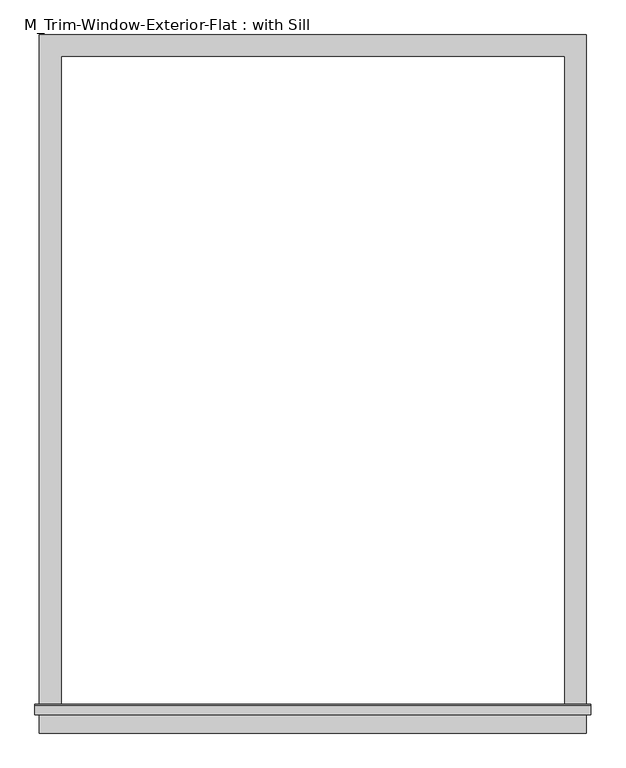
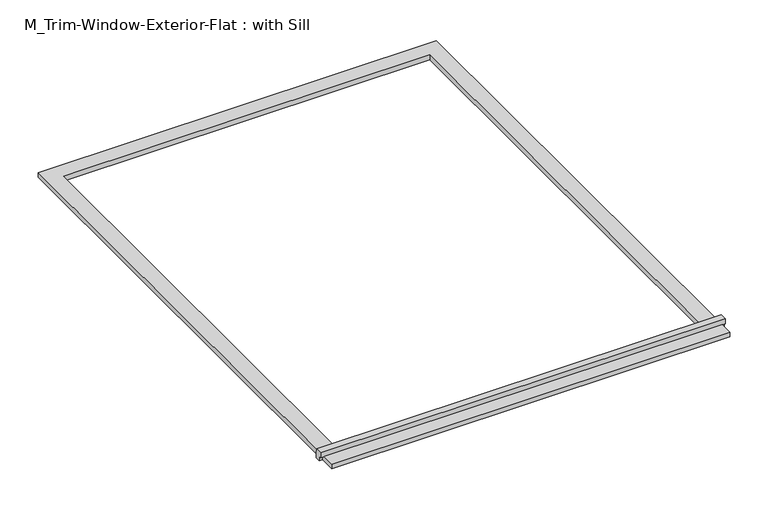
"""IFC4 building model written with IfcOpenShell, lengths in millimetres: proxy geometry, M_Trim-Window-Exterior-Flat : with Sill."""

from ifc_helpers import new_model, si_unit, frame, origin, origin_with_axes, place, context, project, spatial, polyline, outline, extrude, source, transform, mapped, element, save


def m_trim_window_exterior_flat_with_sill_136e302d(model_context):
    return source(origin(), model_context, "Body", "SweptSolid", [
        extrude(outline(polyline([(760.0, -1820.4323709), (760.0, -1880.4323709), (-760.0, -1880.4323709), (-760.0, -1820.4323709), (760.0, -1820.4323709)])), origin_with_axes(), (0.0, 0.0, 1.0), 19.05),
        extrude(outline(polyline([(-1830.0, 38.1), (-1802.4580645, 38.1), (-1800.0, 19.05), (-1800.0, 0.0), (-1820.4323709, 0.0), (-1820.4323709, 19.05), (-1830.0, 19.05), (-1830.0, 38.1)])), frame((-772.7, 0.0, 0.0), z_axis=(1.0, 0.0, 0.0), x_axis=(0.0, 1.0, 0.0)), (0.0, 0.0, 1.0), 1545.4),
        extrude(outline(polyline([(-760.0, 60.0), (760.0, 60.0), (760.0, -1800.0), (700.0, -1800.0), (700.0, 0.0), (-700.0, 0.0), (-700.0, -1800.0), (-760.0, -1800.0), (-760.0, 60.0)])), origin_with_axes(), (0.0, 0.0, 1.0), 19.05),
    ])


if __name__ == "__main__":
    model = new_model("IFC4")
    model_context = context("Model", 3, world=origin())
    ifc_project = project(units=[si_unit("LENGTHUNIT", "METRE", prefix="MILLI")], contexts=[model_context])
    site = spatial("IfcSite", under=ifc_project)
    building = spatial("IfcBuilding", under=site)
    placement = place(None, origin())
    m_trim_window_exterior_flat_with_sill_shape = m_trim_window_exterior_flat_with_sill_136e302d(model_context)
    element("IfcBuildingElementProxy", 1, Name="M_Trim-Window-Exterior-Flat : with Sill", ObjectType="M_Trim-Window-Exterior-Flat : with Sill", at=placement, inside=building, context=model_context, shape_type="MappedRepresentation", body=[
        mapped(m_trim_window_exterior_flat_with_sill_shape, transform((0.0, 0.0, 0.0), x_axis=(1.0, 0.0, 0.0), y_axis=(0.0, 1.0, 0.0), z_axis=(0.0, 0.0, 1.0))),
    ])
    save(model, "model.ifc")
